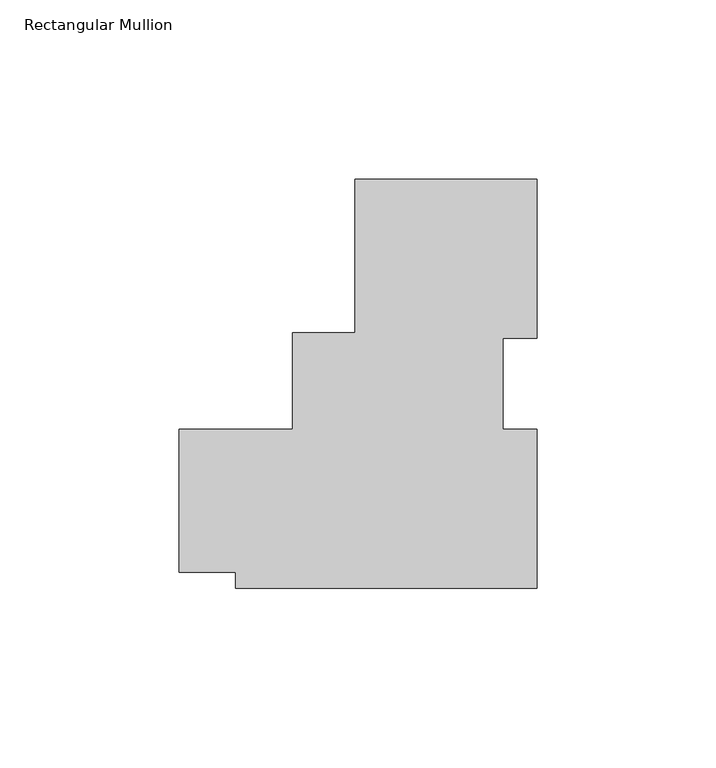
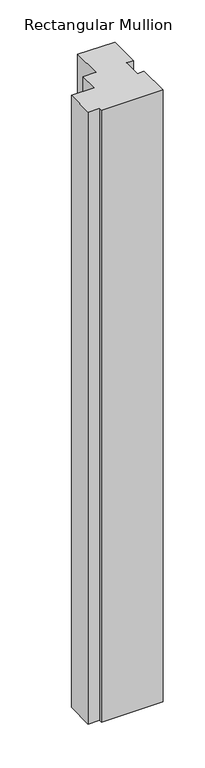
"""IFC4 building model written with IfcOpenShell, lengths in millimetres: member geometry, Rectangular Mullion."""

from ifc_helpers import new_model, si_unit, frame, origin, place, context, project, spatial, polyline, outline, extrude, source, transform, mapped, element, save


def rectangular_mullion_927249e6(model_context):
    return source(origin(), model_context, "Body", "SweptSolid", [
        extrude(outline(polyline([(-11.1234084, 49.8945969), (39.6765916, 49.8945969), (39.6765916, 5.49217), (30.1515916, 5.49217), (30.1515916, -19.9955283), (39.6765916, -19.9955283), (39.6765916, -64.4048737), (-44.4599878, -64.4048737), (-44.4599878, -59.9680017), (-60.3340783, -59.9680017), (-60.3359084, -19.9628961), (-28.5859084, -19.9628961), (-28.5859084, 7.0320969), (-11.1234084, 7.0320969), (-11.1234084, 49.8945969)])), frame((0.0, 0.0, -886.968), z_axis=(0.0, 0.0, 1.0), x_axis=(1.0, 0.0, 0.0)), (0.0, 0.0, 1.0), 886.968),
    ])


if __name__ == "__main__":
    model = new_model("IFC4")
    model_context = context("Model", 3, world=origin())
    ifc_project = project(units=[si_unit("LENGTHUNIT", "METRE", prefix="MILLI")], contexts=[model_context])
    site = spatial("IfcSite", under=ifc_project)
    building = spatial("IfcBuilding", under=site)
    placement = place(None, origin())
    rectangular_mullion_shape = rectangular_mullion_927249e6(model_context)
    element("IfcMember", 1, ObjectType="Rectangular Mullion", at=placement, inside=building, context=model_context, shape_type="MappedRepresentation", body=[
        mapped(rectangular_mullion_shape, transform((0.0, 0.0, 0.0), x_axis=(1.0, 0.0, 0.0), y_axis=(0.0, 1.0, 0.0), z_axis=(0.0, 0.0, 1.0))),
    ])
    save(model, "model.ifc")
